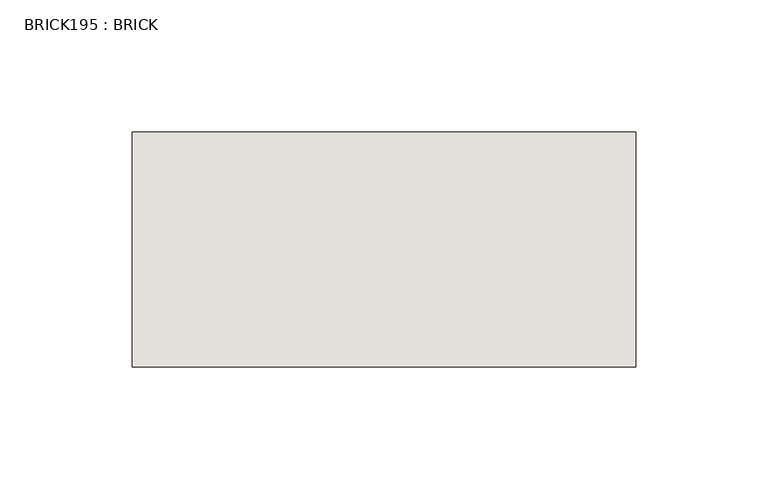
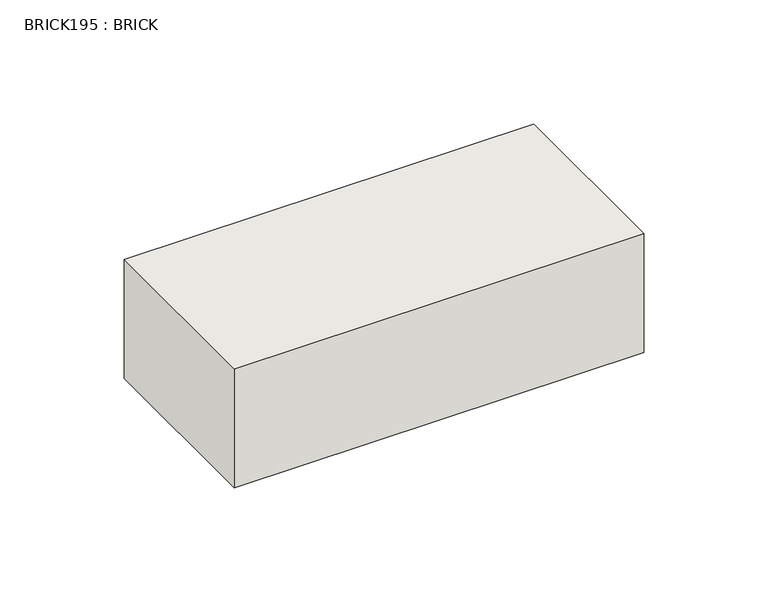
"""IFC4 building model written with IfcOpenShell, lengths in millimetres: wall geometry, BRICK195 : BRICK."""

from ifc_helpers import new_model, si_unit, frame, origin, place, context, project, spatial, polyline, outline, extrude, source, transform, mapped, element, save


def brick195_brick_183307f5(model_context):
    return source(origin(), model_context, "Body", "SweptSolid", [
        extrude(outline(polyline([(-668.2574357, 3062.3923312), (-477.7574357, 3062.3923312), (-477.7574357, 2973.4923312), (-668.2574357, 2973.4923312), (-668.2574357, 3062.3923312)])), frame((0.0, 0.0, 143.8671875), z_axis=(0.0, 0.0, 1.0), x_axis=(1.0, 0.0, 0.0)), (0.0, 0.0, 1.0), 58.4398437),
    ])


if __name__ == "__main__":
    model = new_model("IFC4")
    model_context = context("Model", 3, world=origin())
    ifc_project = project(units=[si_unit("LENGTHUNIT", "METRE", prefix="MILLI")], contexts=[model_context])
    site = spatial("IfcSite", under=ifc_project)
    building = spatial("IfcBuilding", under=site)
    placement = place(None, origin())
    brick195_brick_shape = brick195_brick_183307f5(model_context)
    element("IfcWall", 1, ObjectType="BRICK195 : BRICK", at=placement, inside=building, context=model_context, shape_type="MappedRepresentation", body=[
        mapped(brick195_brick_shape, transform((0.0, 0.0, 0.0), x_axis=(1.0, 0.0, 0.0), y_axis=(0.0, 1.0, 0.0), z_axis=(0.0, 0.0, 1.0))),
    ])
    save(model, "model.ifc")
